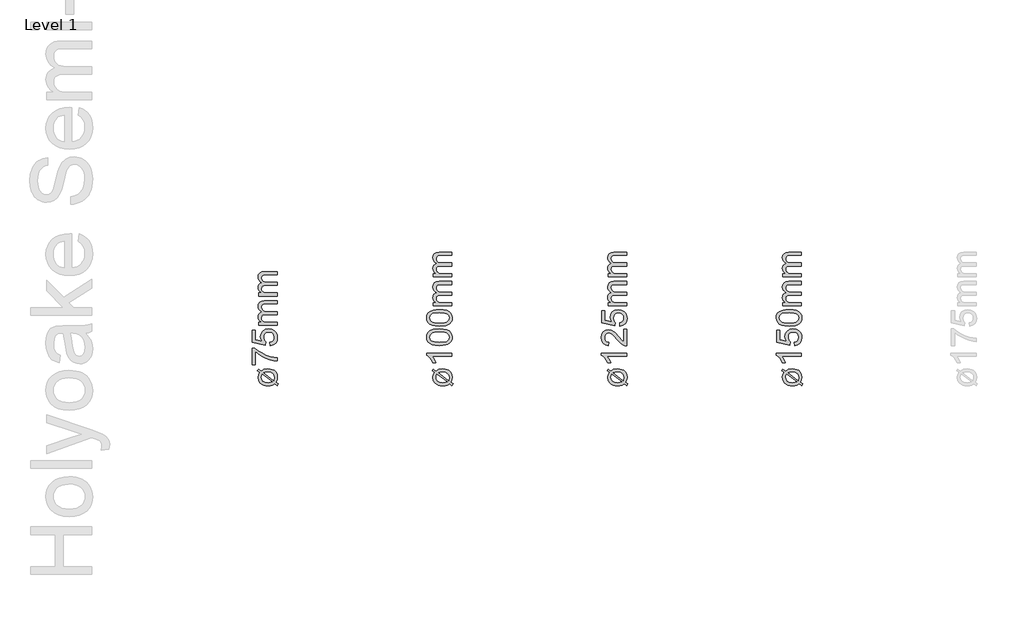
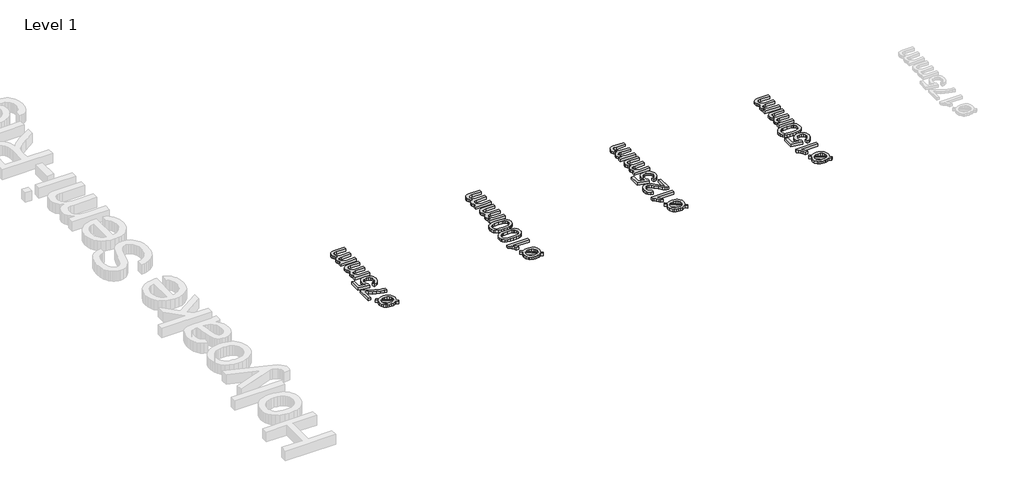
# One storey, part 15 of 17: 4 proxies.
"""IFC4 building model written with IfcOpenShell, lengths in millimetres."""

from ifc_helpers import new_model, si_unit, origin, origin_with_axes, place, context, project, spatial, polyline, outline, extrude, element, save

model = new_model("IFC4")

# Units and contexts
model_context = context("Model", 3, world=origin())
ifc_project = project(units=[si_unit("LENGTHUNIT", "METRE", prefix="MILLI")], contexts=[model_context])

# Site, building, storey
site = spatial("IfcSite", under=ifc_project)
building = spatial("IfcBuilding", under=site)
storey = spatial("IfcBuildingStorey", under=building, Name="Level 1", Elevation=0.0)

# Proxies
placement = place(None, origin())
element("IfcBuildingElementProxy", 1, Name="250mm", ObjectType="250mm", at=placement, inside=storey, context=model_context, shape_type="SweptSolid", body=[
    extrude(outline(polyline([(543.3524153, 3032.5908228), (519.0735691, 3050.9802459), (530.2514537, 3065.6437074), (555.6721268, 3046.3528421), (581.934146, 3061.8576498), (621.1168383, 3067.4465921), (644.6595066, 3065.7000476), (664.8668383, 3060.4604142), (681.7388335, 3051.7276918), (695.2754922, 3039.5018805), (709.5182807, 3014.5169046), (714.2658768, 2984.8744767), (710.2244105, 2960.1298853), (698.1000114, 2938.4201498), (721.9581845, 2920.3312074), (711.0206845, 2905.4273613), (688.2442422, 2922.7350536), (665.0471268, 2908.7326498), (645.2454441, 2903.7296449), (622.9798191, 2902.0619767), (599.093476, 2903.5794046), (578.7565619, 2908.1316882), (561.9690769, 2915.7188276), (548.731021, 2926.3408228), (531.536009, 2952.7380584), (525.8043383, 2983.3720728), (530.0411172, 3008.3119767), (543.3524153, 3032.5908228)]), holes=[polyline([(565.2274153, 3016.0042844), (558.7370307, 3000.619669), (556.5735691, 2984.5138998), (560.7277158, 2964.306568), (573.1901557, 2947.6749574), (593.8707446, 2936.5421449), (622.6793383, 2932.8312074), (645.0952037, 2934.9796449), (663.544723, 2941.4249574), (565.2274153, 3016.0042844)]), polyline([(580.6120307, 3027.4826498), (678.388473, 2953.3239959), (683.496646, 2982.8913036), (679.4326436, 3004.2254382), (667.2406364, 3021.4730344), (646.9356484, 3032.8762796), (618.5327037, 3036.6773613), (597.3187614, 3034.3336113), (580.6120307, 3027.4826498)])]), origin_with_axes(), (0.0, 0.0, 1.0), 30.0),
    extrude(outline(polyline([(498.8812614, 3105.9081305), (468.1120307, 3105.9081305), (468.1120307, 3267.4465921), (492.9918383, 3267.4465921), (522.1309609, 3244.4222531), (559.1877518, 3221.6232748), (600.7818023, 3201.5135993), (643.5327037, 3186.557169), (675.5188816, 3179.2254382), (710.419723, 3175.1388998), (710.419723, 3144.369669), (678.7039778, 3147.6974935), (641.0086653, 3156.5992363), (601.052235, 3170.8345127), (562.5531364, 3190.1629382), (527.7499513, 3212.729044), (498.8812614, 3236.6773613), (498.8812614, 3105.9081305)])), origin_with_axes(), (0.0, 0.0, 1.0), 30.0),
    extrude(outline(polyline([(645.0351076, 3294.369669), (641.1889537, 3325.1388998), (659.661009, 3330.7879382), (672.8896749, 3340.6437074), (680.8449033, 3354.6611353), (683.496646, 3372.7951498), (679.8082446, 3394.8504382), (668.7430403, 3411.3768805), (651.5780763, 3421.6983949), (629.590396, 3425.1388998), (608.887271, 3421.9162435), (593.0519345, 3412.2482748), (583.0008528, 3396.0598733), (579.6504922, 3373.275919), (584.9990499, 3346.2626978), (598.8812614, 3328.9850536), (595.0351076, 3298.2158228), (468.1120307, 3325.1388998), (468.1120307, 3444.369669), (498.8812614, 3444.369669), (498.8812614, 3350.0187074), (566.669723, 3336.8576498), (553.3283768, 3358.837818), (548.8812614, 3381.869669), (554.3950835, 3410.6181666), (570.9365499, 3434.4838517), (596.1468864, 3450.5520608), (627.6673191, 3455.9081305), (658.4365499, 3451.0854142), (684.7586653, 3436.6172651), (697.6680703, 3423.8318084), (706.8890739, 3408.9129382), (712.4216761, 3391.8606546), (714.2658768, 3372.6749574), (709.5257927, 3342.4541041), (695.3055403, 3318.3780824), (673.2577638, 3301.8741762), (645.0351076, 3294.369669)])), origin_with_axes(), (0.0, 0.0, 1.0), 30.0),
    extrude(outline(polyline([(710.419723, 3490.5235151), (529.6504922, 3490.5235151), (529.6504922, 3521.2927459), (559.3980883, 3521.2927459), (545.7337254, 3530.5475536), (535.029098, 3542.4465921), (528.1105283, 3556.5842123), (525.8043383, 3572.5547651), (528.1556004, 3589.6671449), (535.2093864, 3603.3840921), (546.4999513, 3613.6304863), (561.5615499, 3620.3312074), (545.9177698, 3631.5466522), (534.7436412, 3644.3396209), (528.0391641, 3658.7101137), (525.8043383, 3674.6581305), (529.5227879, 3697.7876377), (540.6781364, 3714.8925055), (559.5708648, 3725.4619166), (586.5014537, 3728.9850536), (710.419723, 3728.9850536), (710.419723, 3698.2158228), (599.7226076, 3698.2158228), (574.0315018, 3695.3612555), (561.3812614, 3685.0247171), (556.5735691, 3667.4465921), (559.653497, 3650.7774214), (568.8932807, 3637.1881786), (584.9239297, 3628.1512195), (608.3764537, 3625.1388998), (710.419723, 3625.1388998), (710.419723, 3594.369669), (596.2971268, 3594.369669), (578.8992903, 3592.5893204), (566.4894345, 3587.2482748), (559.0525355, 3577.8507387), (556.5735691, 3563.900919), (558.2262133, 3552.0469526), (563.184146, 3541.1244767), (571.3271749, 3532.1100536), (582.5351076, 3525.9802459), (619.2538576, 3521.2927459), (710.419723, 3521.2927459), (710.419723, 3490.5235151)])), origin_with_axes(), (0.0, 0.0, 1.0), 30.0),
    extrude(outline(polyline([(710.419723, 3775.1388998), (529.6504922, 3775.1388998), (529.6504922, 3805.9081305), (559.3980883, 3805.9081305), (545.7337254, 3815.1629382), (535.029098, 3827.0619767), (528.1105283, 3841.1995969), (525.8043383, 3857.1701498), (528.1556004, 3874.2825296), (535.2093864, 3887.9994767), (546.4999513, 3898.2458709), (561.5615499, 3904.9465921), (545.9177698, 3916.1620368), (534.7436412, 3928.9550055), (528.0391641, 3943.3254983), (525.8043383, 3959.2735151), (529.5227879, 3982.4030224), (540.6781364, 3999.5078901), (559.5708648, 4010.0773012), (586.5014537, 4013.6004382), (710.419723, 4013.6004382), (710.419723, 3982.8312074), (599.7226076, 3982.8312074), (574.0315018, 3979.9766401), (561.3812614, 3969.6401017), (556.5735691, 3952.0619767), (559.653497, 3935.392806), (568.8932807, 3921.8035632), (584.9239297, 3912.7666041), (608.3764537, 3909.7542844), (710.419723, 3909.7542844), (710.419723, 3878.9850536), (596.2971268, 3878.9850536), (578.8992903, 3877.204705), (566.4894345, 3871.8636594), (559.0525355, 3862.4661233), (556.5735691, 3848.5163036), (558.2262133, 3836.6623373), (563.184146, 3825.7398613), (571.3271749, 3816.7254382), (582.5351076, 3810.5956305), (619.2538576, 3805.9081305), (710.419723, 3805.9081305), (710.419723, 3775.1388998)])), origin_with_axes(), (0.0, 0.0, 1.0), 30.0),
])
element("IfcBuildingElementProxy", 2, Name="250mm", ObjectType="250mm", at=placement, inside=storey, context=model_context, shape_type="SweptSolid", body=[
    extrude(outline(polyline([(2243.3524153, 3032.5908228), (2219.0735691, 3050.9802459), (2230.2514537, 3065.6437074), (2255.6721268, 3046.3528421), (2281.934146, 3061.8576498), (2321.1168383, 3067.4465921), (2344.6595066, 3065.7000476), (2364.8668383, 3060.4604142), (2381.7388335, 3051.7276918), (2395.2754922, 3039.5018805), (2409.5182807, 3014.5169046), (2414.2658768, 2984.8744767), (2410.2244105, 2960.1298853), (2398.1000114, 2938.4201498), (2421.9581845, 2920.3312074), (2411.0206845, 2905.4273613), (2388.2442422, 2922.7350536), (2365.0471268, 2908.7326498), (2345.2454441, 2903.7296449), (2322.9798191, 2902.0619767), (2299.093476, 2903.5794046), (2278.7565619, 2908.1316882), (2261.9690769, 2915.7188276), (2248.731021, 2926.3408228), (2231.536009, 2952.7380584), (2225.8043383, 2983.3720728), (2230.0411172, 3008.3119767), (2243.3524153, 3032.5908228)]), holes=[polyline([(2265.2274153, 3016.0042844), (2258.7370307, 3000.619669), (2256.5735691, 2984.5138998), (2260.7277158, 2964.306568), (2273.1901557, 2947.6749574), (2293.8707446, 2936.5421449), (2322.6793383, 2932.8312074), (2345.0952037, 2934.9796449), (2363.544723, 2941.4249574), (2265.2274153, 3016.0042844)]), polyline([(2280.6120307, 3027.4826498), (2378.388473, 2953.3239959), (2383.496646, 2982.8913036), (2379.4326436, 3004.2254382), (2367.2406364, 3021.4730344), (2346.9356484, 3032.8762796), (2318.5327037, 3036.6773613), (2297.3187614, 3034.3336113), (2280.6120307, 3027.4826498)])]), origin_with_axes(), (0.0, 0.0, 1.0), 30.0),
    extrude(outline(polyline([(2410.419723, 3221.2927459), (2410.419723, 3190.5235151), (2218.5927999, 3190.5235151), (2239.356021, 3161.3768805), (2254.8908768, 3128.9850536), (2225.8043383, 3128.9850536), (2212.6583047, 3153.1512195), (2197.0182807, 3174.0872171), (2180.3866701, 3190.5911233), (2164.2658768, 3201.4610151), (2164.2658768, 3221.2927459), (2410.419723, 3221.2927459)])), origin_with_axes(), (0.0, 0.0, 1.0), 30.0),
    extrude(outline(polyline([(2289.325973, 3294.369669), (2249.9254321, 3296.6307868), (2218.5026557, 3303.4141401), (2194.5768744, 3314.6521209), (2177.6673191, 3330.2771209), (2167.6162374, 3350.4018204), (2164.2658768, 3375.1388998), (2166.2490499, 3394.0992363), (2172.1985691, 3411.0763998), (2181.8815619, 3425.2741161), (2195.0651557, 3435.8961113), (2231.4834249, 3450.3191882), (2256.6862494, 3454.5108949), (2289.325973, 3455.9081305), (2328.5011533, 3453.6695488), (2359.8488095, 3446.9538036), (2383.7971268, 3435.783431), (2400.7742903, 3420.1809671), (2410.8929802, 3400.0111954), (2414.2658768, 3375.1388998), (2412.8010331, 3358.1917844), (2408.4065018, 3343.1677459), (2401.0822831, 3330.0667844), (2390.8283768, 3318.8888998), (2372.2924694, 3308.1617363), (2349.1967662, 3300.4994767), (2321.5412674, 3295.9021209), (2289.325973, 3294.369669)]), holes=[polyline([(2289.2658768, 3325.1388998), (2337.6658167, 3328.744669), (2354.2204291, 3333.2518805), (2365.6781364, 3339.5619767), (2379.0420186, 3355.6677459), (2383.496646, 3375.1388998), (2379.0269946, 3394.6100536), (2365.6180403, 3410.7158228), (2354.1415529, 3417.025919), (2337.5906965, 3421.5331305), (2289.2658768, 3425.1388998), (2241.9551797, 3421.6533228), (2225.4550295, 3417.2963517), (2213.7250114, 3411.1965921), (2199.7075835, 3395.1208709), (2195.0351076, 3374.7783228), (2199.1516941, 3355.5175055), (2211.5014537, 3340.0427459), (2224.2718864, 3333.5223132), (2241.4894345, 3328.8648613), (2289.2658768, 3325.1388998)])]), origin_with_axes(), (0.0, 0.0, 1.0), 30.0),
    extrude(outline(polyline([(2289.325973, 3482.8312074), (2249.9254321, 3485.0923252), (2218.5026557, 3491.8756786), (2194.5768744, 3503.1136594), (2177.6673191, 3518.7386594), (2167.6162374, 3538.8633589), (2164.2658768, 3563.6004382), (2166.2490499, 3582.5607748), (2172.1985691, 3599.5379382), (2181.8815619, 3613.7356546), (2195.0651557, 3624.3576498), (2231.4834249, 3638.7807267), (2256.6862494, 3642.9724334), (2289.325973, 3644.369669), (2328.5011533, 3642.1310873), (2359.8488095, 3635.4153421), (2383.7971268, 3624.2449695), (2400.7742903, 3608.6425055), (2410.8929802, 3588.4727339), (2414.2658768, 3563.6004382), (2412.8010331, 3546.6533228), (2408.4065018, 3531.6292844), (2401.0822831, 3518.5283228), (2390.8283768, 3507.3504382), (2372.2924694, 3496.6232748), (2349.1967662, 3488.9610151), (2321.5412674, 3484.3636594), (2289.325973, 3482.8312074)]), holes=[polyline([(2289.2658768, 3513.6004382), (2337.6658167, 3517.2062074), (2354.2204291, 3521.713419), (2365.6781364, 3528.0235151), (2379.0420186, 3544.1292844), (2383.496646, 3563.6004382), (2379.0269946, 3583.0715921), (2365.6180403, 3599.1773613), (2354.1415529, 3605.4874574), (2337.5906965, 3609.994669), (2289.2658768, 3613.6004382), (2241.9551797, 3610.1148613), (2225.4550295, 3605.7578901), (2213.7250114, 3599.6581305), (2199.7075835, 3583.5824094), (2195.0351076, 3563.2398613), (2199.1516941, 3543.979044), (2211.5014537, 3528.5042844), (2224.2718864, 3521.9838517), (2241.4894345, 3517.3263998), (2289.2658768, 3513.6004382)])]), origin_with_axes(), (0.0, 0.0, 1.0), 30.0),
    extrude(outline(polyline([(2410.419723, 3678.9850536), (2229.6504922, 3678.9850536), (2229.6504922, 3709.7542844), (2259.3980883, 3709.7542844), (2245.7337254, 3719.0090921), (2235.029098, 3730.9081305), (2228.1105283, 3745.0457507), (2225.8043383, 3761.0163036), (2228.1556004, 3778.1286834), (2235.2093864, 3791.8456305), (2246.4999513, 3802.0920248), (2261.5615499, 3808.7927459), (2245.9177698, 3820.0081906), (2234.7436412, 3832.8011594), (2228.0391641, 3847.1716522), (2225.8043383, 3863.119669), (2229.5227879, 3886.2491762), (2240.6781364, 3903.354044), (2259.5708648, 3913.923455), (2286.5014537, 3917.4465921), (2410.419723, 3917.4465921), (2410.419723, 3886.6773613), (2299.7226076, 3886.6773613), (2274.0315018, 3883.822794), (2261.3812614, 3873.4862555), (2256.5735691, 3855.9081305), (2259.653497, 3839.2389599), (2268.8932807, 3825.6497171), (2284.9239297, 3816.6127579), (2308.3764537, 3813.6004382), (2410.419723, 3813.6004382), (2410.419723, 3782.8312074), (2296.2971268, 3782.8312074), (2278.8992903, 3781.0508589), (2266.4894345, 3775.7098132), (2259.0525355, 3766.3122772), (2256.5735691, 3752.3624574), (2258.2262133, 3740.5084911), (2263.184146, 3729.5860151), (2271.3271749, 3720.5715921), (2282.5351076, 3714.4417844), (2319.2538576, 3709.7542844), (2410.419723, 3709.7542844), (2410.419723, 3678.9850536)])), origin_with_axes(), (0.0, 0.0, 1.0), 30.0),
    extrude(outline(polyline([(2410.419723, 3963.6004382), (2229.6504922, 3963.6004382), (2229.6504922, 3994.369669), (2259.3980883, 3994.369669), (2245.7337254, 4003.6244767), (2235.029098, 4015.5235151), (2228.1105283, 4029.6611353), (2225.8043383, 4045.6316882), (2228.1556004, 4062.744068), (2235.2093864, 4076.4610151), (2246.4999513, 4086.7074094), (2261.5615499, 4093.4081305), (2245.9177698, 4104.6235752), (2234.7436412, 4117.416544), (2228.0391641, 4131.7870368), (2225.8043383, 4147.7350536), (2229.5227879, 4170.8645608), (2240.6781364, 4187.9694286), (2259.5708648, 4198.5388397), (2286.5014537, 4202.0619767), (2410.419723, 4202.0619767), (2410.419723, 4171.2927459), (2299.7226076, 4171.2927459), (2274.0315018, 4168.4381786), (2261.3812614, 4158.1016401), (2256.5735691, 4140.5235151), (2259.653497, 4123.8543445), (2268.8932807, 4110.2651017), (2284.9239297, 4101.2281425), (2308.3764537, 4098.2158228), (2410.419723, 4098.2158228), (2410.419723, 4067.4465921), (2296.2971268, 4067.4465921), (2278.8992903, 4065.6662435), (2266.4894345, 4060.3251978), (2259.0525355, 4050.9276618), (2256.5735691, 4036.9778421), (2258.2262133, 4025.1238757), (2263.184146, 4014.2013998), (2271.3271749, 4005.1869767), (2282.5351076, 3999.057169), (2319.2538576, 3994.369669), (2410.419723, 3994.369669), (2410.419723, 3963.6004382)])), origin_with_axes(), (0.0, 0.0, 1.0), 30.0),
])
element("IfcBuildingElementProxy", 3, Name="250mm", ObjectType="250mm", at=placement, inside=storey, context=model_context, shape_type="SweptSolid", body=[
    extrude(outline(polyline([(3943.3524153, 3032.5908228), (3919.0735691, 3050.9802459), (3930.2514537, 3065.6437074), (3955.6721268, 3046.3528421), (3981.934146, 3061.8576498), (4021.1168383, 3067.4465921), (4044.6595066, 3065.7000476), (4064.8668383, 3060.4604142), (4081.7388335, 3051.7276918), (4095.2754922, 3039.5018805), (4109.5182807, 3014.5169046), (4114.2658768, 2984.8744767), (4110.2244105, 2960.1298853), (4098.1000114, 2938.4201498), (4121.9581845, 2920.3312074), (4111.0206845, 2905.4273613), (4088.2442422, 2922.7350536), (4065.0471268, 2908.7326498), (4045.2454441, 2903.7296449), (4022.9798191, 2902.0619767), (3999.093476, 2903.5794046), (3978.7565619, 2908.1316882), (3961.9690769, 2915.7188276), (3948.731021, 2926.3408228), (3931.536009, 2952.7380584), (3925.8043383, 2983.3720728), (3930.0411172, 3008.3119767), (3943.3524153, 3032.5908228)]), holes=[polyline([(3965.2274153, 3016.0042844), (3958.7370307, 3000.619669), (3956.5735691, 2984.5138998), (3960.7277158, 2964.306568), (3973.1901557, 2947.6749574), (3993.8707446, 2936.5421449), (4022.6793383, 2932.8312074), (4045.0952037, 2934.9796449), (4063.544723, 2941.4249574), (3965.2274153, 3016.0042844)]), polyline([(3980.6120307, 3027.4826498), (4078.388473, 2953.3239959), (4083.496646, 2982.8913036), (4079.4326436, 3004.2254382), (4067.2406364, 3021.4730344), (4046.9356484, 3032.8762796), (4018.5327037, 3036.6773613), (3997.3187614, 3034.3336113), (3980.6120307, 3027.4826498)])]), origin_with_axes(), (0.0, 0.0, 1.0), 30.0),
    extrude(outline(polyline([(4110.419723, 3221.2927459), (4110.419723, 3190.5235151), (3918.5927999, 3190.5235151), (3939.356021, 3161.3768805), (3954.8908768, 3128.9850536), (3925.8043383, 3128.9850536), (3912.6583047, 3153.1512195), (3897.0182807, 3174.0872171), (3880.3866701, 3190.5911233), (3864.2658768, 3201.4610151), (3864.2658768, 3221.2927459), (4110.419723, 3221.2927459)])), origin_with_axes(), (0.0, 0.0, 1.0), 30.0),
    extrude(outline(polyline([(4079.6504922, 3452.0619767), (4110.419723, 3452.0619767), (4110.419723, 3290.5235151), (4089.2057807, 3293.8288036), (4072.6267542, 3301.415943), (4056.543521, 3312.5187074), (4020.8764537, 3351.0403421), (3991.3842662, 3384.2434671), (3969.6144345, 3404.1653421), (3951.9461653, 3414.1262796), (3934.7586653, 3417.4465921), (3919.3515138, 3414.31408), (3906.543521, 3404.916544), (3897.9122109, 3390.470931), (3895.0351076, 3372.1941882), (3897.8446028, 3353.0009791), (3906.2730883, 3338.0896209), (3919.6595066, 3328.4667243), (3937.3427999, 3325.1388998), (3933.496646, 3294.369669), (3903.7340258, 3301.8291041), (3881.9942422, 3317.9574094), (3868.6979682, 3341.9132387), (3864.2658768, 3372.8552459), (3869.1937614, 3404.0226137), (3883.9774153, 3427.9333709), (3906.0627518, 3443.1452099), (3932.8956845, 3448.2158228), (3962.0723672, 3442.7470728), (3992.2406364, 3424.5679863), (4034.3980883, 3380.4874574), (4063.9954441, 3345.0908228), (4079.6504922, 3331.2086113), (4079.6504922, 3452.0619767)])), origin_with_axes(), (0.0, 0.0, 1.0), 30.0),
    extrude(outline(polyline([(4045.0351076, 3482.8312074), (4041.1889537, 3513.6004382), (4059.661009, 3519.2494767), (4072.8896749, 3529.1052459), (4080.8449033, 3543.1226738), (4083.496646, 3561.2566882), (4079.8082446, 3583.3119767), (4068.7430403, 3599.838419), (4051.5780763, 3610.1599334), (4029.590396, 3613.6004382), (4008.887271, 3610.377782), (3993.0519345, 3600.7098132), (3983.0008528, 3584.5214118), (3979.6504922, 3561.7374574), (3984.9990499, 3534.7242363), (3998.8812614, 3517.4465921), (3995.0351076, 3486.6773613), (3868.1120307, 3513.6004382), (3868.1120307, 3632.8312074), (3898.8812614, 3632.8312074), (3898.8812614, 3538.4802459), (3966.669723, 3525.3191882), (3953.3283768, 3547.2993565), (3948.8812614, 3570.3312074), (3954.3950835, 3599.079705), (3970.9365499, 3622.9453901), (3996.1468864, 3639.0135993), (4027.6673191, 3644.369669), (4058.4365499, 3639.5469526), (4084.7586653, 3625.0788036), (4097.6680703, 3612.2933469), (4106.8890739, 3597.3744767), (4112.4216761, 3580.322193), (4114.2658768, 3561.1364959), (4109.5257927, 3530.9156425), (4095.3055403, 3506.8396209), (4073.2577638, 3490.3357147), (4045.0351076, 3482.8312074)])), origin_with_axes(), (0.0, 0.0, 1.0), 30.0),
    extrude(outline(polyline([(4110.419723, 3678.9850536), (3929.6504922, 3678.9850536), (3929.6504922, 3709.7542844), (3959.3980883, 3709.7542844), (3945.7337254, 3719.0090921), (3935.029098, 3730.9081305), (3928.1105283, 3745.0457507), (3925.8043383, 3761.0163036), (3928.1556004, 3778.1286834), (3935.2093864, 3791.8456305), (3946.4999513, 3802.0920248), (3961.5615499, 3808.7927459), (3945.9177698, 3820.0081906), (3934.7436412, 3832.8011594), (3928.0391641, 3847.1716522), (3925.8043383, 3863.119669), (3929.5227879, 3886.2491762), (3940.6781364, 3903.354044), (3959.5708648, 3913.923455), (3986.5014537, 3917.4465921), (4110.419723, 3917.4465921), (4110.419723, 3886.6773613), (3999.7226076, 3886.6773613), (3974.0315018, 3883.822794), (3961.3812614, 3873.4862555), (3956.5735691, 3855.9081305), (3959.653497, 3839.2389599), (3968.8932807, 3825.6497171), (3984.9239297, 3816.6127579), (4008.3764537, 3813.6004382), (4110.419723, 3813.6004382), (4110.419723, 3782.8312074), (3996.2971268, 3782.8312074), (3978.8992903, 3781.0508589), (3966.4894345, 3775.7098132), (3959.0525355, 3766.3122772), (3956.5735691, 3752.3624574), (3958.2262133, 3740.5084911), (3963.184146, 3729.5860151), (3971.3271749, 3720.5715921), (3982.5351076, 3714.4417844), (4019.2538576, 3709.7542844), (4110.419723, 3709.7542844), (4110.419723, 3678.9850536)])), origin_with_axes(), (0.0, 0.0, 1.0), 30.0),
    extrude(outline(polyline([(4110.419723, 3963.6004382), (3929.6504922, 3963.6004382), (3929.6504922, 3994.369669), (3959.3980883, 3994.369669), (3945.7337254, 4003.6244767), (3935.029098, 4015.5235151), (3928.1105283, 4029.6611353), (3925.8043383, 4045.6316882), (3928.1556004, 4062.744068), (3935.2093864, 4076.4610151), (3946.4999513, 4086.7074094), (3961.5615499, 4093.4081305), (3945.9177698, 4104.6235752), (3934.7436412, 4117.416544), (3928.0391641, 4131.7870368), (3925.8043383, 4147.7350536), (3929.5227879, 4170.8645608), (3940.6781364, 4187.9694286), (3959.5708648, 4198.5388397), (3986.5014537, 4202.0619767), (4110.419723, 4202.0619767), (4110.419723, 4171.2927459), (3999.7226076, 4171.2927459), (3974.0315018, 4168.4381786), (3961.3812614, 4158.1016401), (3956.5735691, 4140.5235151), (3959.653497, 4123.8543445), (3968.8932807, 4110.2651017), (3984.9239297, 4101.2281425), (4008.3764537, 4098.2158228), (4110.419723, 4098.2158228), (4110.419723, 4067.4465921), (3996.2971268, 4067.4465921), (3978.8992903, 4065.6662435), (3966.4894345, 4060.3251978), (3959.0525355, 4050.9276618), (3956.5735691, 4036.9778421), (3958.2262133, 4025.1238757), (3963.184146, 4014.2013998), (3971.3271749, 4005.1869767), (3982.5351076, 3999.057169), (4019.2538576, 3994.369669), (4110.419723, 3994.369669), (4110.419723, 3963.6004382)])), origin_with_axes(), (0.0, 0.0, 1.0), 30.0),
])
element("IfcBuildingElementProxy", 4, Name="250mm", ObjectType="250mm", at=placement, inside=storey, context=model_context, shape_type="SweptSolid", body=[
    extrude(outline(polyline([(5643.3524153, 3032.5908228), (5619.0735691, 3050.9802459), (5630.2514537, 3065.6437074), (5655.6721268, 3046.3528421), (5681.934146, 3061.8576498), (5721.1168383, 3067.4465921), (5744.6595066, 3065.7000476), (5764.8668383, 3060.4604142), (5781.7388335, 3051.7276918), (5795.2754922, 3039.5018805), (5809.5182807, 3014.5169046), (5814.2658768, 2984.8744767), (5810.2244105, 2960.1298853), (5798.1000114, 2938.4201498), (5821.9581845, 2920.3312074), (5811.0206845, 2905.4273613), (5788.2442422, 2922.7350536), (5765.0471268, 2908.7326498), (5745.2454441, 2903.7296449), (5722.9798191, 2902.0619767), (5699.093476, 2903.5794046), (5678.7565619, 2908.1316882), (5661.9690769, 2915.7188276), (5648.731021, 2926.3408228), (5631.536009, 2952.7380584), (5625.8043383, 2983.3720728), (5630.0411172, 3008.3119767), (5643.3524153, 3032.5908228)]), holes=[polyline([(5665.2274153, 3016.0042844), (5658.7370307, 3000.619669), (5656.5735691, 2984.5138998), (5660.7277158, 2964.306568), (5673.1901557, 2947.6749574), (5693.8707446, 2936.5421449), (5722.6793383, 2932.8312074), (5745.0952037, 2934.9796449), (5763.544723, 2941.4249574), (5665.2274153, 3016.0042844)]), polyline([(5680.6120307, 3027.4826498), (5778.388473, 2953.3239959), (5783.496646, 2982.8913036), (5779.4326436, 3004.2254382), (5767.2406364, 3021.4730344), (5746.9356484, 3032.8762796), (5718.5327037, 3036.6773613), (5697.3187614, 3034.3336113), (5680.6120307, 3027.4826498)])]), origin_with_axes(), (0.0, 0.0, 1.0), 30.0),
    extrude(outline(polyline([(5810.419723, 3221.2927459), (5810.419723, 3190.5235151), (5618.5927999, 3190.5235151), (5639.356021, 3161.3768805), (5654.8908768, 3128.9850536), (5625.8043383, 3128.9850536), (5612.6583047, 3153.1512195), (5597.0182807, 3174.0872171), (5580.3866701, 3190.5911233), (5564.2658768, 3201.4610151), (5564.2658768, 3221.2927459), (5810.419723, 3221.2927459)])), origin_with_axes(), (0.0, 0.0, 1.0), 30.0),
    extrude(outline(polyline([(5745.0351076, 3294.369669), (5741.1889537, 3325.1388998), (5759.661009, 3330.7879382), (5772.8896749, 3340.6437074), (5780.8449033, 3354.6611353), (5783.496646, 3372.7951498), (5779.8082446, 3394.8504382), (5768.7430403, 3411.3768805), (5751.5780763, 3421.6983949), (5729.590396, 3425.1388998), (5708.887271, 3421.9162435), (5693.0519345, 3412.2482748), (5683.0008528, 3396.0598733), (5679.6504922, 3373.275919), (5684.9990499, 3346.2626978), (5698.8812614, 3328.9850536), (5695.0351076, 3298.2158228), (5568.1120307, 3325.1388998), (5568.1120307, 3444.369669), (5598.8812614, 3444.369669), (5598.8812614, 3350.0187074), (5666.669723, 3336.8576498), (5653.3283768, 3358.837818), (5648.8812614, 3381.869669), (5654.3950835, 3410.6181666), (5670.9365499, 3434.4838517), (5696.1468864, 3450.5520608), (5727.6673191, 3455.9081305), (5758.4365499, 3451.0854142), (5784.7586653, 3436.6172651), (5797.6680703, 3423.8318084), (5806.8890739, 3408.9129382), (5812.4216761, 3391.8606546), (5814.2658768, 3372.6749574), (5809.5257927, 3342.4541041), (5795.3055403, 3318.3780824), (5773.2577638, 3301.8741762), (5745.0351076, 3294.369669)])), origin_with_axes(), (0.0, 0.0, 1.0), 30.0),
    extrude(outline(polyline([(5689.325973, 3482.8312074), (5649.9254321, 3485.0923252), (5618.5026557, 3491.8756786), (5594.5768744, 3503.1136594), (5577.6673191, 3518.7386594), (5567.6162374, 3538.8633589), (5564.2658768, 3563.6004382), (5566.2490499, 3582.5607748), (5572.1985691, 3599.5379382), (5581.8815619, 3613.7356546), (5595.0651557, 3624.3576498), (5631.4834249, 3638.7807267), (5656.6862494, 3642.9724334), (5689.325973, 3644.369669), (5728.5011533, 3642.1310873), (5759.8488095, 3635.4153421), (5783.7971268, 3624.2449695), (5800.7742903, 3608.6425055), (5810.8929802, 3588.4727339), (5814.2658768, 3563.6004382), (5812.8010331, 3546.6533228), (5808.4065018, 3531.6292844), (5801.0822831, 3518.5283228), (5790.8283768, 3507.3504382), (5772.2924694, 3496.6232748), (5749.1967662, 3488.9610151), (5721.5412674, 3484.3636594), (5689.325973, 3482.8312074)]), holes=[polyline([(5689.2658768, 3513.6004382), (5737.6658167, 3517.2062074), (5754.2204291, 3521.713419), (5765.6781364, 3528.0235151), (5779.0420186, 3544.1292844), (5783.496646, 3563.6004382), (5779.0269946, 3583.0715921), (5765.6180403, 3599.1773613), (5754.1415529, 3605.4874574), (5737.5906965, 3609.994669), (5689.2658768, 3613.6004382), (5641.9551797, 3610.1148613), (5625.4550295, 3605.7578901), (5613.7250114, 3599.6581305), (5599.7075835, 3583.5824094), (5595.0351076, 3563.2398613), (5599.1516941, 3543.979044), (5611.5014537, 3528.5042844), (5624.2718864, 3521.9838517), (5641.4894345, 3517.3263998), (5689.2658768, 3513.6004382)])]), origin_with_axes(), (0.0, 0.0, 1.0), 30.0),
    extrude(outline(polyline([(5810.419723, 3678.9850536), (5629.6504922, 3678.9850536), (5629.6504922, 3709.7542844), (5659.3980883, 3709.7542844), (5645.7337254, 3719.0090921), (5635.029098, 3730.9081305), (5628.1105283, 3745.0457507), (5625.8043383, 3761.0163036), (5628.1556004, 3778.1286834), (5635.2093864, 3791.8456305), (5646.4999513, 3802.0920248), (5661.5615499, 3808.7927459), (5645.9177698, 3820.0081906), (5634.7436412, 3832.8011594), (5628.0391641, 3847.1716522), (5625.8043383, 3863.119669), (5629.5227879, 3886.2491762), (5640.6781364, 3903.354044), (5659.5708648, 3913.923455), (5686.5014537, 3917.4465921), (5810.419723, 3917.4465921), (5810.419723, 3886.6773613), (5699.7226076, 3886.6773613), (5674.0315018, 3883.822794), (5661.3812614, 3873.4862555), (5656.5735691, 3855.9081305), (5659.653497, 3839.2389599), (5668.8932807, 3825.6497171), (5684.9239297, 3816.6127579), (5708.3764537, 3813.6004382), (5810.419723, 3813.6004382), (5810.419723, 3782.8312074), (5696.2971268, 3782.8312074), (5678.8992903, 3781.0508589), (5666.4894345, 3775.7098132), (5659.0525355, 3766.3122772), (5656.5735691, 3752.3624574), (5658.2262133, 3740.5084911), (5663.184146, 3729.5860151), (5671.3271749, 3720.5715921), (5682.5351076, 3714.4417844), (5719.2538576, 3709.7542844), (5810.419723, 3709.7542844), (5810.419723, 3678.9850536)])), origin_with_axes(), (0.0, 0.0, 1.0), 30.0),
    extrude(outline(polyline([(5810.419723, 3963.6004382), (5629.6504922, 3963.6004382), (5629.6504922, 3994.369669), (5659.3980883, 3994.369669), (5645.7337254, 4003.6244767), (5635.029098, 4015.5235151), (5628.1105283, 4029.6611353), (5625.8043383, 4045.6316882), (5628.1556004, 4062.744068), (5635.2093864, 4076.4610151), (5646.4999513, 4086.7074094), (5661.5615499, 4093.4081305), (5645.9177698, 4104.6235752), (5634.7436412, 4117.416544), (5628.0391641, 4131.7870368), (5625.8043383, 4147.7350536), (5629.5227879, 4170.8645608), (5640.6781364, 4187.9694286), (5659.5708648, 4198.5388397), (5686.5014537, 4202.0619767), (5810.419723, 4202.0619767), (5810.419723, 4171.2927459), (5699.7226076, 4171.2927459), (5674.0315018, 4168.4381786), (5661.3812614, 4158.1016401), (5656.5735691, 4140.5235151), (5659.653497, 4123.8543445), (5668.8932807, 4110.2651017), (5684.9239297, 4101.2281425), (5708.3764537, 4098.2158228), (5810.419723, 4098.2158228), (5810.419723, 4067.4465921), (5696.2971268, 4067.4465921), (5678.8992903, 4065.6662435), (5666.4894345, 4060.3251978), (5659.0525355, 4050.9276618), (5656.5735691, 4036.9778421), (5658.2262133, 4025.1238757), (5663.184146, 4014.2013998), (5671.3271749, 4005.1869767), (5682.5351076, 3999.057169), (5719.2538576, 3994.369669), (5810.419723, 3994.369669), (5810.419723, 3963.6004382)])), origin_with_axes(), (0.0, 0.0, 1.0), 30.0),
])

save(model, "model.ifc")
